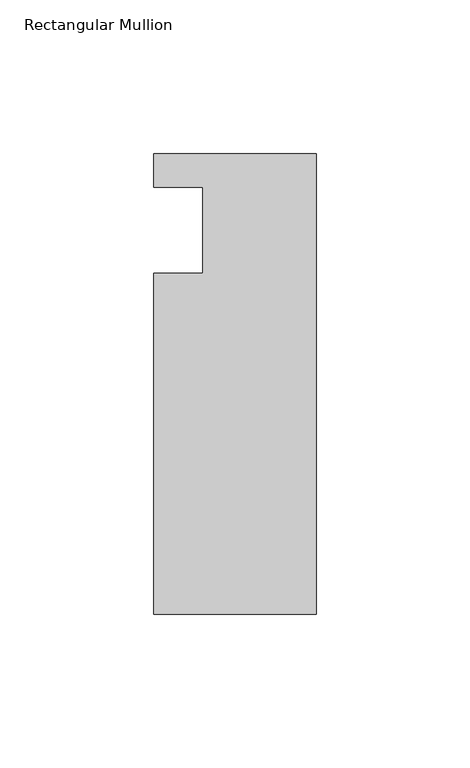
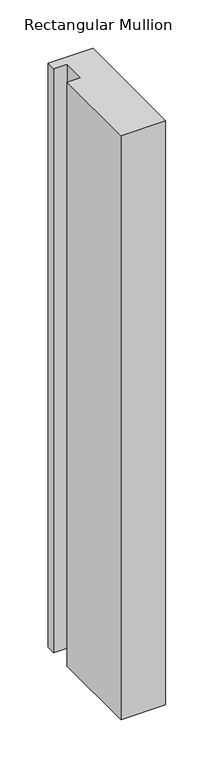
"""IFC4 building model written with IfcOpenShell, lengths in millimetres: member geometry, Rectangular Mullion."""

from ifc_helpers import new_model, si_unit, frame, origin, place, context, project, spatial, polyline, outline, extrude, source, transform, mapped, element, save


def rectangular_mullion_dc6cb286(model_context):
    return source(origin(), model_context, "Body", "SweptSolid", [
        extrude(outline(polyline([(0.0, 25.0), (0.0, -125.0), (-53.0, -125.0), (-53.0, -14.0), (-37.0, -14.0), (-37.0, 14.0), (-53.0, 14.0), (-53.0, 25.0), (0.0, 25.0)])), frame((0.0, 0.0, -734.9850736), z_axis=(0.0, 0.0, 1.0), x_axis=(1.0, 0.0, 0.0)), (0.0, 0.0, 1.0), 734.9850736),
    ])


if __name__ == "__main__":
    model = new_model("IFC4")
    model_context = context("Model", 3, world=origin())
    ifc_project = project(units=[si_unit("LENGTHUNIT", "METRE", prefix="MILLI")], contexts=[model_context])
    site = spatial("IfcSite", under=ifc_project)
    building = spatial("IfcBuilding", under=site)
    placement = place(None, origin())
    rectangular_mullion_shape = rectangular_mullion_dc6cb286(model_context)
    element("IfcMember", 1, ObjectType="Rectangular Mullion", at=placement, inside=building, context=model_context, shape_type="MappedRepresentation", body=[
        mapped(rectangular_mullion_shape, transform((0.0, 0.0, 0.0), x_axis=(1.0, 0.0, 0.0), y_axis=(0.0, 1.0, 0.0), z_axis=(0.0, 0.0, 1.0))),
    ])
    save(model, "model.ifc")
